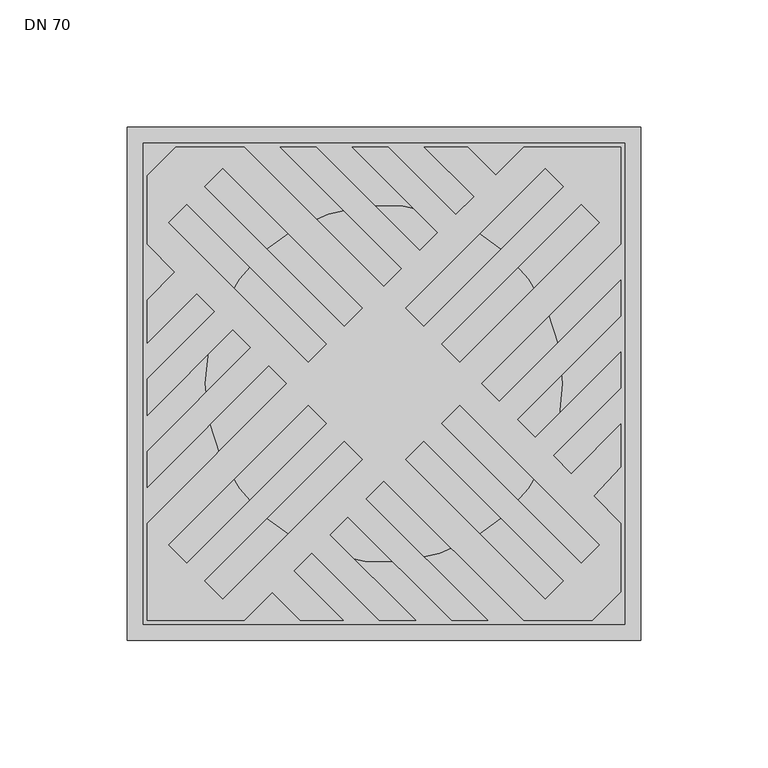
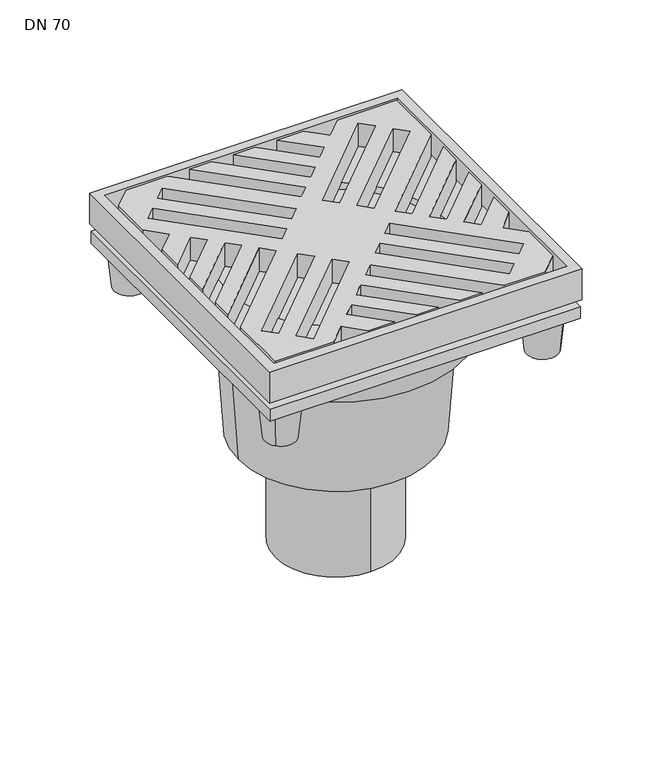
"""IFC4 building model written with IfcOpenShell, lengths in millimetres: sanitary terminal geometry, DN 70."""

from ifc_helpers import new_model, si_unit, frame, origin, place, context, project, spatial, polyline, circle_curve, outline, extrude, faceted_brep, source, transform, mapped, element, save
from ifc_brep_helpers import plane_surface, cylinder_surface, revolved_surface, advanced_brep


def dn_70_6141f48a(model_context):
    return source(origin(), model_context, "Body", "SolidModel", [
        faceted_brep([(84.95, 84.95, -21.0), (-84.95, 84.95, -21.0), (-84.95, -84.95, -21.0), (84.95, -84.95, -21.0), (78.7, 78.7, -29.0), (78.7, -78.7, -29.0), (-78.7, -78.7, -29.0), (-78.7, 78.7, -29.0)], [[[0, 1, 2, 3]], [[4, 5, 6, 7]], [[4, 7, 1, 0]], [[7, 6, 2, 1]], [[6, 5, 3, 2]], [[5, 4, 0, 3]]]),
        advanced_brep(
        [(-75.1, 0.0, -49.0), (75.1, 0.0, -49.0), (-75.1, 0.0, -29.0), (75.1, 0.0, -29.0)],
        [
            (0, 1, circle_curve(frame((0.0, 0.0, -49.0), z_axis=(0.0, 0.0, -1.0), x_axis=(1.0, 0.0, 0.0)), 75.1)),
            (1, 0, circle_curve(frame((0.0, 0.0, -49.0), z_axis=(0.0, 0.0, -1.0), x_axis=(1.0, 0.0, 0.0)), 75.1)),
            (2, 3, circle_curve(frame((0.0, 0.0, -29.0), z_axis=(0.0, 0.0, 1.0), x_axis=(1.0, 0.0, 0.0)), 75.1)),
            (3, 2, circle_curve(frame((0.0, 0.0, -29.0), z_axis=(0.0, 0.0, 1.0), x_axis=(1.0, 0.0, 0.0)), 75.1)),
            (1, 3),
            (2, 0),
        ],
        [
            plane_surface(frame((75.1, 0.0, -49.0), z_axis=(0.0, 0.0, -1.0), x_axis=(0.0, -1.0, 0.0))),
            plane_surface(frame((75.1, 0.0, -29.0), z_axis=(0.0, 0.0, 1.0), x_axis=(0.0, 1.0, 0.0))),
            cylinder_surface(frame((0.0, 0.0, -49.0), z_axis=(0.0, 0.0, 1.0), x_axis=(1.0, 0.0, 0.0)), 75.1),
        ],
        [
            (0, [[1, 2]]),
            (1, [[3, 4]]),
            (2, [[-2, 5, -3, 6]]),
            (2, [[-1, -6, -4, -5]]),
        ],
    ),
        advanced_brep(
        [(100.75, 100.75, -21.0), (100.75, -100.75, -21.0), (-100.75, -100.75, -21.0), (-100.75, 100.75, -21.0), (-70.1, 0.0, -21.0), (70.1, 0.0, -21.0), (94.5, -94.5, -16.0), (94.5, 94.5, -16.0), (-94.5, 94.5, -16.0), (-94.5, -94.5, -16.0), (-70.1, 0.0, -16.0), (70.1, 0.0, -16.0), (100.75, 100.75, 0.0), (-100.75, 100.75, 0.0), (-100.75, -100.75, 0.0), (100.75, -100.75, 0.0), (94.5, 94.5, 0.0), (94.5, -94.5, 0.0), (-94.5, -94.5, 0.0), (-94.5, 94.5, 0.0)],
        [
            (0, 1),
            (1, 2),
            (2, 3),
            (3, 0),
            (4, 5, circle_curve(frame((0.0, 0.0, -21.0), z_axis=(0.0, 0.0, 1.0), x_axis=(1.0, 0.0, 0.0)), 70.1)),
            (5, 4, circle_curve(frame((0.0, 0.0, -21.0), z_axis=(0.0, 0.0, 1.0), x_axis=(1.0, 0.0, 0.0)), 70.1)),
            (6, 7),
            (7, 8),
            (8, 9),
            (9, 6),
            (10, 11, circle_curve(frame((0.0, 0.0, -16.0), z_axis=(0.0, 0.0, -1.0), x_axis=(1.0, 0.0, 0.0)), 70.1)),
            (11, 10, circle_curve(frame((0.0, 0.0, -16.0), z_axis=(0.0, 0.0, -1.0), x_axis=(1.0, 0.0, 0.0)), 70.1)),
            (5, 11),
            (10, 4),
            (12, 13),
            (13, 14),
            (14, 15),
            (15, 12),
            (16, 17),
            (17, 18),
            (18, 19),
            (19, 16),
            (3, 13),
            (12, 0),
            (2, 14),
            (1, 15),
            (16, 7),
            (6, 17),
            (9, 18),
            (8, 19),
        ],
        [
            plane_surface(frame((-94.5, 94.5, -21.0), z_axis=(0.0, 0.0, -1.0), x_axis=(1.0, 0.0, 0.0))),
            plane_surface(frame((-94.5, 94.5, -16.0), z_axis=(0.0, 0.0, 1.0), x_axis=(-1.0, 0.0, 0.0))),
            revolved_surface(polyline([(70.1, 0.0, -21.0), (70.1, 0.0, -16.0)]), (0.0, 0.0, -29.0), (0.0, 0.0, -1.0)),
            plane_surface(frame((-100.75, 100.75, 0.0), z_axis=(0.0, 0.0, 1.0), x_axis=(-1.0, 0.0, 0.0))),
            plane_surface(frame((100.75, 100.75, 0.0), z_axis=(0.0, 1.0, 0.0), x_axis=(0.0, 0.0, -1.0))),
            plane_surface(frame((-100.75, 100.75, 0.0), z_axis=(-1.0, 0.0, 0.0), x_axis=(0.0, 0.0, -1.0))),
            plane_surface(frame((-100.75, -100.75, 0.0), z_axis=(0.0, -1.0, 0.0), x_axis=(0.0, 0.0, -1.0))),
            plane_surface(frame((100.75, -100.75, 0.0), z_axis=(1.0, 0.0, 0.0), x_axis=(0.0, 0.0, -1.0))),
            plane_surface(frame((94.5, 94.5, 0.0), z_axis=(-1.0, 0.0, 0.0), x_axis=(0.0, 0.0, -1.0))),
            plane_surface(frame((94.5, -94.5, 0.0), z_axis=(0.0, 1.0, 0.0), x_axis=(0.0, 0.0, -1.0))),
            plane_surface(frame((-94.5, -94.5, 0.0), z_axis=(1.0, 0.0, 0.0), x_axis=(0.0, 0.0, -1.0))),
            plane_surface(frame((-94.5, 94.5, 0.0), z_axis=(0.0, -1.0, 0.0), x_axis=(0.0, 0.0, -1.0))),
        ],
        [
            (0, [[1, 2, 3, 4], [5, 6]]),
            (1, [[7, 8, 9, 10], [11, 12]]),
            (2, [[-6, 13, -11, 14]]),
            (2, [[-5, -14, -12, -13]]),
            (3, [[15, 16, 17, 18], [19, 20, 21, 22]]),
            (4, [[-4, 23, -15, 24]]),
            (5, [[-3, 25, -16, -23]]),
            (6, [[-2, 26, -17, -25]]),
            (7, [[-1, -24, -18, -26]]),
            (8, [[-19, 27, -7, 28]]),
            (9, [[-20, -28, -10, 29]]),
            (10, [[-21, -29, -9, 30]]),
            (11, [[-22, -30, -8, -27]]),
        ],
    ),
        extrude(outline(polyline([(-93.0166638, -40.6740982), (-93.0166638, -26.5319626), (-52.3425656, 14.1421356), (-59.4136335, 21.2132034), (-93.0166638, -12.3898269), (-93.0166638, 1.7523087), (-66.4847013, 28.2842712), (-73.5557691, 35.3553391), (-93.0166638, 15.8944443), (-93.0166638, 32.8650071), (-82.0410505, 43.8406204), (-93.0166638, 54.8162338), (-93.0166638, 81.7029553), (-81.7029553, 93.0166638), (-54.8328977, 93.0166638), (0.0, 38.1837662), (7.0710678, 45.254834), (-40.690762, 93.0166638), (-26.5486264, 93.0166638), (14.1421356, 52.3259018), (21.2132034, 59.3969696), (-12.3898269, 93.0), (1.7523087, 93.0), (28.2842712, 66.4680374), (35.3553391, 73.5391052), (15.8944443, 93.0), (32.8650071, 93.0), (43.8406204, 82.0243866), (54.8162338, 93.0), (93.0, 93.0), (93.0, 54.8162338), (38.1837662, 0.0), (45.254834, -7.0710678), (93.0, 40.6740982), (93.0, 26.5319626), (52.3259018, -14.1421356), (59.3969696, -21.2132034), (93.0, 12.3898269), (93.0, -1.7523087), (66.4680374, -28.2842712), (73.5391052, -35.3553391), (93.0, -15.8944443), (93.0, -32.6426597), (82.3093846, -44.1256185), (93.0, -54.8353654), (93.0, -81.7029553), (81.6862915, -93.0166638), (54.8162338, -93.0166638), (0.0, -38.20043), (-7.0710678, -45.2714978), (40.6740982, -93.0166638), (26.5319626, -93.0166638), (-14.1587995, -52.3259018), (-21.2298673, -59.3969696), (12.3898269, -93.0166638), (-1.7523087, -93.0166638), (-28.3009351, -66.4680374), (-35.3720029, -73.5391052), (-15.8944443, -93.0166638), (-32.8816709, -93.0166638), (-43.8572843, -82.0410505), (-54.8328977, -93.0166638), (-93.0166638, -93.0166638), (-93.0166638, -54.8162338), (-38.20043, 0.0), (-45.2714978, 7.0710678), (-93.0166638, -40.6740982)]), holes=[polyline([(22.627417, 15.5563492), (29.6984848, 8.4852814), (84.4992604, 63.2860569), (77.4281925, 70.3571247), (22.627417, 15.5563492)]), polyline([(63.2860569, 84.4992604), (8.4852814, 29.6984848), (15.5563492, 22.627417), (70.3571247, 77.4281925), (63.2860569, 84.4992604)]), polyline([(-22.6440808, -15.5538815), (-29.7151487, -8.4852814), (-84.5159242, -63.3051885), (-77.4448564, -70.3737886), (-22.6440808, -15.5538815)]), polyline([(-63.3027208, -84.5159242), (-8.5019452, -29.7151487), (-15.573013, -22.6440808), (-70.3737886, -77.4448564), (-63.3027208, -84.5159242)]), polyline([(-84.5159242, 63.2860569), (-29.7151487, 8.4852814), (-22.6440808, 15.5563492), (-77.4448564, 70.3571247), (-84.5159242, 63.2860569)]), polyline([(-15.573013, 22.627417), (-8.5019452, 29.6984848), (-63.3027208, 84.4992604), (-70.3737886, 77.4281925), (-15.573013, 22.627417)]), polyline([(84.4992604, -63.3051885), (29.6984848, -8.4852814), (22.627417, -15.5538815), (77.4281925, -70.3737886), (84.4992604, -63.3051885)]), polyline([(15.5563492, -22.6440808), (8.4852814, -29.7151487), (63.2860569, -84.5159242), (70.3571247, -77.4448564), (15.5563492, -22.6440808)])]), frame((0.0, 0.0, -16.0), z_axis=(0.0, 0.0, 1.0), x_axis=(1.0, 0.0, 0.0)), (0.0, 0.0, 1.0), 16.0),
        advanced_brep(
        [(91.5703282, -91.5703282, -59.0), (77.4281925, -77.4281925, -59.0), (93.3380951, -93.3380951, -34.0), (75.6604256, -75.6604256, -34.0)],
        [
            (0, 1, circle_curve(frame((84.4992604, -84.4992604, -59.0), z_axis=(0.0, 0.0, -1.0), x_axis=(0.7071067811865507, -0.7071067811865442, 0.0)), 10.0)),
            (1, 0, circle_curve(frame((84.4992604, -84.4992604, -59.0), z_axis=(0.0, 0.0, -1.0), x_axis=(-0.7071067811865456, 0.7071067811865493, 0.0)), 10.0)),
            (2, 3, circle_curve(frame((84.4992604, -84.4992604, -34.0), z_axis=(0.0, 0.0, 1.0), x_axis=(-0.7071067811865456, 0.7071067811865493, 0.0)), 12.5)),
            (3, 2, circle_curve(frame((84.4992604, -84.4992604, -34.0), z_axis=(0.0, 0.0, 1.0), x_axis=(0.7071067811865507, -0.7071067811865442, 0.0)), 12.5)),
            (3, 1),
            (0, 2),
        ],
        [
            plane_surface(frame((84.4992604, -84.4992604, -59.0), z_axis=(0.0, 0.0, -1.0), x_axis=(-0.7071067811865451, -0.7071067811865499, 0.0))),
            plane_surface(frame((84.4992604, -84.4992604, -34.0), z_axis=(0.0, 0.0, 1.0), x_axis=(-0.7071067811865451, -0.7071067811865499, 0.0))),
            revolved_surface(polyline([(91.57032816, -91.57032816, -59.0), (93.3380951, -93.3380951, -34.0)]), (84.4992604, -84.4992604, -159.0), (0.0, 0.0, 1.0)),
            revolved_surface(polyline([(77.42819256, -77.42819256, -59.0), (75.6604256, -75.6604256, -34.0)]), (84.4992604, -84.4992604, -159.0), (0.0, 0.0, 1.0)),
        ],
        [
            (0, [[1, 2]]),
            (1, [[3, 4]]),
            (2, [[-4, 5, -1, 6]]),
            (3, [[-3, -6, -2, -5]]),
        ],
    ),
        advanced_brep(
        [(-91.5703282, -91.5703282, -59.0), (-77.4281925, -77.4281925, -59.0), (-93.3380951, -93.3380951, -34.0), (-75.6604256, -75.6604256, -34.0)],
        [
            (0, 1, circle_curve(frame((-84.4992604, -84.4992604, -59.0), z_axis=(0.0, 0.0, -1.0), x_axis=(-0.7071067811865477, -0.7071067811865472, 0.0)), 10.0)),
            (1, 0, circle_curve(frame((-84.4992604, -84.4992604, -59.0), z_axis=(0.0, 0.0, -1.0), x_axis=(0.7071067811865444, 0.7071067811865506, 0.0)), 10.0)),
            (2, 3, circle_curve(frame((-84.4992604, -84.4992604, -34.0), z_axis=(0.0, 0.0, 1.0), x_axis=(0.7071067811865444, 0.7071067811865506, 0.0)), 12.5)),
            (3, 2, circle_curve(frame((-84.4992604, -84.4992604, -34.0), z_axis=(0.0, 0.0, 1.0), x_axis=(-0.7071067811865477, -0.7071067811865472, 0.0)), 12.5)),
            (3, 1),
            (0, 2),
        ],
        [
            plane_surface(frame((-84.4992604, -84.4992604, -59.0), z_axis=(0.0, 0.0, -1.0), x_axis=(-0.7071067811865509, 0.7071067811865441, 0.0))),
            plane_surface(frame((-84.4992604, -84.4992604, -34.0), z_axis=(0.0, 0.0, 1.0), x_axis=(-0.7071067811865509, 0.7071067811865441, 0.0))),
            revolved_surface(polyline([(-91.57032816, -91.57032816, -59.0), (-93.3380951, -93.3380951, -34.0)]), (-84.4992604, -84.4992604, -159.0), (0.0, 0.0, 1.0)),
            revolved_surface(polyline([(-77.42819256, -77.42819256, -59.0), (-75.6604256, -75.6604256, -34.0)]), (-84.4992604, -84.4992604, -159.0), (0.0, 0.0, 1.0)),
        ],
        [
            (0, [[1, 2]]),
            (1, [[3, 4]]),
            (2, [[-4, 5, -1, 6]]),
            (3, [[-3, -6, -2, -5]]),
        ],
    ),
        advanced_brep(
        [(-91.5703282, 91.5703282, -59.0), (-77.4281925, 77.4281925, -59.0), (-93.3380951, 93.3380951, -34.0), (-75.6604256, 75.6604256, -34.0)],
        [
            (0, 1, circle_curve(frame((-84.4992604, 84.4992604, -59.0), z_axis=(0.0, 0.0, -1.0), x_axis=(-0.7071067811865472, 0.7071067811865477, 0.0)), 10.0)),
            (1, 0, circle_curve(frame((-84.4992604, 84.4992604, -59.0), z_axis=(0.0, 0.0, -1.0), x_axis=(0.7071067811865456, -0.7071067811865495, 0.0)), 10.0)),
            (2, 3, circle_curve(frame((-84.4992604, 84.4992604, -34.0), z_axis=(0.0, 0.0, 1.0), x_axis=(0.7071067811865456, -0.7071067811865495, 0.0)), 12.5)),
            (3, 2, circle_curve(frame((-84.4992604, 84.4992604, -34.0), z_axis=(0.0, 0.0, 1.0), x_axis=(-0.7071067811865472, 0.7071067811865477, 0.0)), 12.5)),
            (3, 1),
            (0, 2),
        ],
        [
            plane_surface(frame((-84.4992604, 84.4992604, -59.0), z_axis=(0.0, 0.0, -1.0), x_axis=(0.7071067811865471, 0.707106781186548, 0.0))),
            plane_surface(frame((-84.4992604, 84.4992604, -34.0), z_axis=(0.0, 0.0, 1.0), x_axis=(0.7071067811865471, 0.707106781186548, 0.0))),
            revolved_surface(polyline([(-91.57032816, 91.57032816, -59.0), (-93.3380951, 93.3380951, -34.0)]), (-84.4992604, 84.4992604, -159.0), (0.0, 0.0, 1.0)),
            revolved_surface(polyline([(-77.42819256, 77.42819256, -59.0), (-75.6604256, 75.6604256, -34.0)]), (-84.4992604, 84.4992604, -159.0), (0.0, 0.0, 1.0)),
        ],
        [
            (0, [[1, 2]]),
            (1, [[3, 4]]),
            (2, [[-4, 5, -1, 6]]),
            (3, [[-3, -6, -2, -5]]),
        ],
    ),
        advanced_brep(
        [(91.5703282, 91.5703282, -59.0), (77.4281925, 77.4281925, -59.0), (93.3380951, 93.3380951, -34.0), (75.6604256, 75.6604256, -34.0)],
        [
            (0, 1, circle_curve(frame((84.4992604, 84.4992604, -59.0), z_axis=(0.0, 0.0, -1.0), x_axis=(0.7071067811865442, 0.7071067811865507, 0.0)), 10.0)),
            (1, 0, circle_curve(frame((84.4992604, 84.4992604, -59.0), z_axis=(0.0, 0.0, -1.0), x_axis=(-0.7071067811865477, -0.7071067811865472, 0.0)), 10.0)),
            (2, 3, circle_curve(frame((84.4992604, 84.4992604, -34.0), z_axis=(0.0, 0.0, 1.0), x_axis=(-0.7071067811865477, -0.7071067811865472, 0.0)), 12.5)),
            (3, 2, circle_curve(frame((84.4992604, 84.4992604, -34.0), z_axis=(0.0, 0.0, 1.0), x_axis=(0.7071067811865442, 0.7071067811865507, 0.0)), 12.5)),
            (3, 1),
            (0, 2),
        ],
        [
            plane_surface(frame((84.4992604, 84.4992604, -59.0), z_axis=(0.0, 0.0, -1.0), x_axis=(0.7071067811865491, -0.707106781186546, 0.0))),
            plane_surface(frame((84.4992604, 84.4992604, -34.0), z_axis=(0.0, 0.0, 1.0), x_axis=(0.7071067811865491, -0.707106781186546, 0.0))),
            revolved_surface(polyline([(91.57032816, 91.57032816, -59.0), (93.3380951, 93.3380951, -34.0)]), (84.4992604, 84.4992604, -159.0), (0.0, 0.0, 1.0)),
            revolved_surface(polyline([(77.42819256, 77.42819256, -59.0), (75.6604256, 75.6604256, -34.0)]), (84.4992604, 84.4992604, -159.0), (0.0, 0.0, 1.0)),
        ],
        [
            (0, [[1, 2]]),
            (1, [[3, 4]]),
            (2, [[-4, 5, -1, 6]]),
            (3, [[-3, -6, -2, -5]]),
        ],
    ),
        advanced_brep(
        [(100.0, 100.0, -26.0), (-100.0, 100.0, -26.0), (-100.0, -100.0, -26.0), (100.0, -100.0, -26.0), (100.0, 100.0, -34.0), (100.0, -100.0, -34.0), (-100.0, -100.0, -34.0), (-100.0, 100.0, -34.0), (-82.0, 0.0, -34.0), (82.0, 0.0, -34.0), (-82.0, 0.0, -59.63), (82.0, 0.0, -59.63), (67.2, 0.0, -69.98), (-67.2, 0.0, -69.98), (0.0, 39.0, -208.73), (0.0, -39.0, -208.73), (0.0, -39.0, -133.73), (0.0, 39.0, -133.73), (-62.85, 0.0, -133.73), (62.85, 0.0, -133.73)],
        [
            (0, 1),
            (1, 2),
            (2, 3),
            (3, 0),
            (4, 5),
            (5, 6),
            (6, 7),
            (7, 4),
            (8, 9, circle_curve(frame((0.0, 0.0, -34.0), z_axis=(0.0, 0.0, 1.0), x_axis=(1.0, 0.0, 0.0)), 82.0)),
            (9, 8, circle_curve(frame((0.0, 0.0, -34.0), z_axis=(0.0, 0.0, 1.0), x_axis=(1.0, 0.0, 0.0)), 82.0)),
            (8, 10),
            (10, 11, circle_curve(frame((0.0, 0.0, -59.63), z_axis=(0.0, 0.0, 1.0), x_axis=(1.0, 0.0, 0.0)), 82.0)),
            (11, 9),
            (11, 10, circle_curve(frame((0.0, 0.0, -59.63), z_axis=(0.0, 0.0, 1.0), x_axis=(1.0, 0.0, 0.0)), 82.0)),
            (12, 11),
            (10, 13),
            (13, 12, circle_curve(frame((0.0, 0.0, -69.98), z_axis=(0.0, 0.0, 1.0), x_axis=(-1.0, 0.0, 0.0)), 67.2)),
            (12, 13, circle_curve(frame((0.0, 0.0, -69.98), z_axis=(0.0, 0.0, 1.0), x_axis=(1.0, 0.0, 0.0)), 67.2)),
            (14, 15, circle_curve(frame((0.0, 0.0, -208.73), z_axis=(0.0, 0.0, -1.0), x_axis=(0.0, -1.0, 0.0)), 39.0)),
            (15, 14, circle_curve(frame((0.0, 0.0, -208.73), z_axis=(0.0, 0.0, -1.0), x_axis=(0.0, -1.0, 0.0)), 39.0)),
            (15, 16),
            (16, 17, circle_curve(frame((0.0, 0.0, -133.73), z_axis=(0.0, 0.0, -1.0), x_axis=(0.0, -1.0, 0.0)), 39.0)),
            (17, 14),
            (17, 16, circle_curve(frame((0.0, 0.0, -133.73), z_axis=(0.0, 0.0, -1.0), x_axis=(0.0, -1.0, 0.0)), 39.0)),
            (18, 19, circle_curve(frame((0.0, 0.0, -133.73), z_axis=(0.0, 0.0, -1.0), x_axis=(1.0, 0.0, 0.0)), 62.85)),
            (19, 18, circle_curve(frame((0.0, 0.0, -133.73), z_axis=(0.0, 0.0, -1.0), x_axis=(-1.0, 0.0, 0.0)), 62.85)),
            (19, 12),
            (13, 18),
            (0, 4),
            (7, 1),
            (6, 2),
            (5, 3),
        ],
        [
            plane_surface(frame((-100.0, 100.0, -26.0), z_axis=(0.0, 0.0, 1.0), x_axis=(-1.0, 0.0, 0.0))),
            plane_surface(frame((-100.0, 100.0, -34.0), z_axis=(0.0, 0.0, -1.0), x_axis=(1.0, 0.0, 0.0))),
            cylinder_surface(frame((0.0, 0.0, -59.63), z_axis=(0.0, 0.0, 1.0), x_axis=(1.0, 0.0, 0.0)), 82.0),
            revolved_surface(polyline([(67.20000000139508, 0.0, -69.98), (82.0, 0.0, -59.63)]), (0.0, 0.0, -116.9745946), (0.0, 0.0, 1.0)),
            plane_surface(frame((0.0, -39.0, -208.73), z_axis=(0.0, 0.0, -1.0), x_axis=(-1.0, 0.0, 0.0))),
            cylinder_surface(frame((0.0, 0.0, -208.73), z_axis=(0.0, 0.0, 1.0), x_axis=(0.0, -1.0, 0.0)), 39.0),
            plane_surface(frame((0.0, 0.0, -133.73), z_axis=(0.0, 0.0, -1.0), x_axis=(0.0, -1.0, 0.0))),
            revolved_surface(polyline([(62.84999999996954, 0.0, -133.73000000000002), (67.2, 0.0, -69.98000000000002)]), (0.0, 0.0, -1054.8075862), (0.0, 0.0, 1.0)),
            revolved_surface(polyline([(-62.84999999996954, 0.0, -133.73000000000002), (-67.2, 0.0, -69.98000000000002)]), (0.0, 0.0, -1054.8075862), (0.0, 0.0, 1.0)),
            plane_surface(frame((100.0, 100.0, -26.0), z_axis=(0.0, 1.0, 0.0), x_axis=(0.0, 0.0, -1.0))),
            plane_surface(frame((-100.0, 100.0, -26.0), z_axis=(-1.0, 0.0, 0.0), x_axis=(0.0, 0.0, -1.0))),
            plane_surface(frame((-100.0, -100.0, -26.0), z_axis=(0.0, -1.0, 0.0), x_axis=(0.0, 0.0, -1.0))),
            plane_surface(frame((100.0, -100.0, -26.0), z_axis=(1.0, 0.0, 0.0), x_axis=(0.0, 0.0, -1.0))),
        ],
        [
            (0, [[1, 2, 3, 4]]),
            (1, [[5, 6, 7, 8], [9, 10]]),
            (2, [[11, 12, 13, -9]]),
            (2, [[-11, -10, -13, 14]]),
            (3, [[15, -12, 16, 17]]),
            (3, [[-15, 18, -16, -14]]),
            (4, [[19, 20]]),
            (5, [[-20, 21, 22, 23]]),
            (5, [[-19, -23, 24, -21]]),
            (6, [[25, 26], [-22, -24]]),
            (7, [[-26, 27, -17, 28]]),
            (8, [[-25, -28, -18, -27]]),
            (9, [[-1, 29, -8, 30]]),
            (10, [[-2, -30, -7, 31]]),
            (11, [[-3, -31, -6, 32]]),
            (12, [[-4, -32, -5, -29]]),
        ],
    ),
    ])


if __name__ == "__main__":
    model = new_model("IFC4")
    model_context = context("Model", 3, world=origin())
    ifc_project = project(units=[si_unit("LENGTHUNIT", "METRE", prefix="MILLI")], contexts=[model_context])
    site = spatial("IfcSite", under=ifc_project)
    building = spatial("IfcBuilding", under=site)
    placement = place(None, origin())
    dn_70_shape = dn_70_6141f48a(model_context)
    element("IfcSanitaryTerminal", 1, ObjectType="DN 70", at=placement, inside=building, context=model_context, shape_type="MappedRepresentation", body=[
        mapped(dn_70_shape, transform((0.0, 0.0, 0.0), x_axis=(1.0, 0.0, 0.0), y_axis=(0.0, 1.0, 0.0), z_axis=(0.0, 0.0, 1.0))),
    ])
    save(model, "model.ifc")
